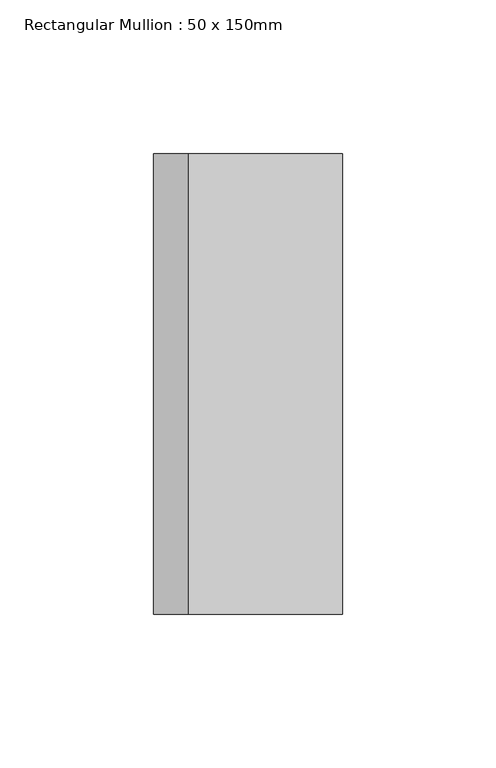
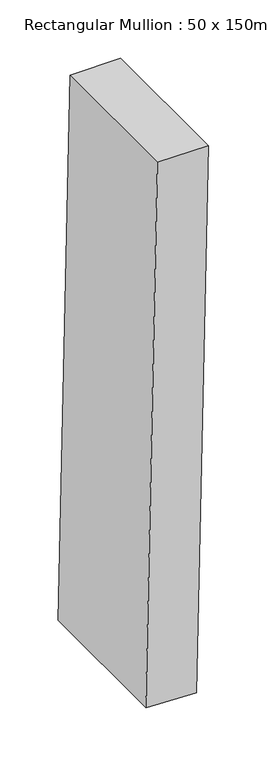
"""IFC4 building model written with IfcOpenShell, lengths in millimetres: member geometry, Rectangular Mullion : 50 x 150mm."""

from ifc_helpers import new_model, si_unit, point, frame, frame_2d, origin, place, context, project, spatial, polyline, circle_curve, trimmed, segment, composite_curve, outline, extrude, source, transform, mapped, element, save


def rectangular_mullion_50_x_150mm_54f0615c(model_context):
    return source(origin(), model_context, "Body", "SweptSolid", [
        extrude(outline(composite_curve([segment(trimmed(circle_curve(frame_2d((0.0, -13869.9628563)), 13869.9628563), [point((-566.7776156, -11.5851457))], [point((0.0, 0.0))], False, "CARTESIAN"), True, "CONTINUOUS"), segment(polyline([(0.0, 0.0), (0.0, -50.0)]), True, "CONTINUOUS"), segment(trimmed(circle_curve(frame_2d((0.0, -13869.9628563)), 13819.9628563), [point((0.0, -50.0))], [point((-564.734432, -61.5433823))], True, "CARTESIAN"), True, "CONTINUOUS"), segment(polyline([(-564.734432, -61.5433823), (-566.7776156, -11.5851457)]), True, "CONTINUOUS")], self_intersect=False)), frame((0.0, -75.0, 0.0), z_axis=(0.0, 1.0, 0.0), x_axis=(0.0, 0.0, 1.0)), (0.0, 0.0, 1.0), 150.0),
    ])


if __name__ == "__main__":
    model = new_model("IFC4")
    model_context = context("Model", 3, world=origin())
    ifc_project = project(units=[si_unit("LENGTHUNIT", "METRE", prefix="MILLI")], contexts=[model_context])
    site = spatial("IfcSite", under=ifc_project)
    building = spatial("IfcBuilding", under=site)
    placement = place(None, origin())
    rectangular_mullion_50_x_150mm_shape = rectangular_mullion_50_x_150mm_54f0615c(model_context)
    element("IfcMember", 1, ObjectType="Rectangular Mullion : 50 x 150mm", at=placement, inside=building, context=model_context, shape_type="MappedRepresentation", body=[
        mapped(rectangular_mullion_50_x_150mm_shape, transform((0.0, 0.0, 0.0), x_axis=(1.0, 0.0, 0.0), y_axis=(0.0, 1.0, 0.0), z_axis=(0.0, 0.0, 1.0))),
    ])
    save(model, "model.ifc")
